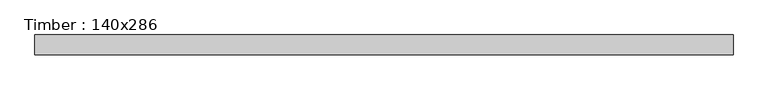
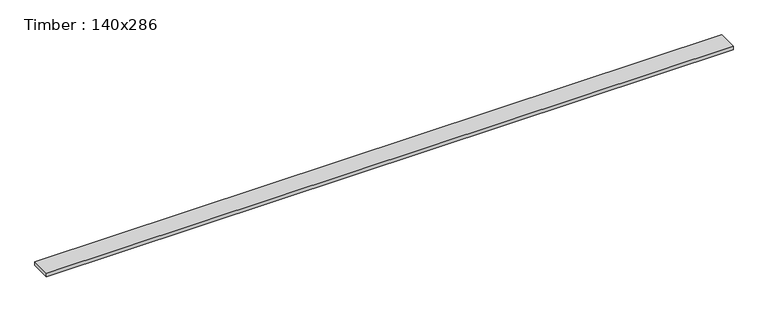
"""IFC4 building model written with IfcOpenShell, lengths in millimetres: beam geometry, Timber : 140x286."""

from ifc_helpers import new_model, si_unit, frame, origin, place, context, project, spatial, polyline, outline, extrude, source, transform, mapped, element, save


def timber_140x286_94e0e7eb(model_context):
    return source(origin(), model_context, "Body", "SweptSolid", [
        extrude(outline(polyline([(1740.8447325, -31.5582294), (1740.8447325, -131.5582294), (-1740.8447325, -131.5582294), (-1740.8447325, -31.5582294), (1740.8447325, -31.5582294)])), frame((0.0, 0.0, -99.1762027), z_axis=(0.0, 0.0, 1.0), x_axis=(1.0, 0.0, 0.0)), (0.0, 0.0, 1.0), 19.0),
    ])


if __name__ == "__main__":
    model = new_model("IFC4")
    model_context = context("Model", 3, world=origin())
    ifc_project = project(units=[si_unit("LENGTHUNIT", "METRE", prefix="MILLI")], contexts=[model_context])
    site = spatial("IfcSite", under=ifc_project)
    building = spatial("IfcBuilding", under=site)
    placement = place(None, origin())
    timber_140x286_shape = timber_140x286_94e0e7eb(model_context)
    element("IfcBeam", 1, ObjectType="Timber : 140x286", at=placement, inside=building, context=model_context, shape_type="MappedRepresentation", body=[
        mapped(timber_140x286_shape, transform((0.0, 0.0, 0.0), x_axis=(1.0, 0.0, 0.0), y_axis=(0.0, 1.0, 0.0), z_axis=(0.0, 0.0, 1.0))),
    ])
    save(model, "model.ifc")
